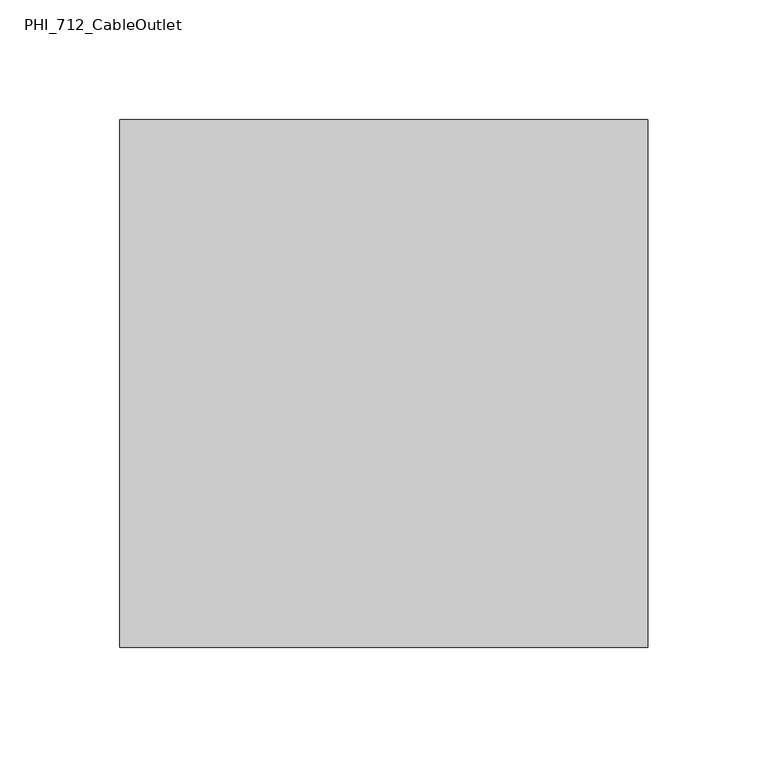
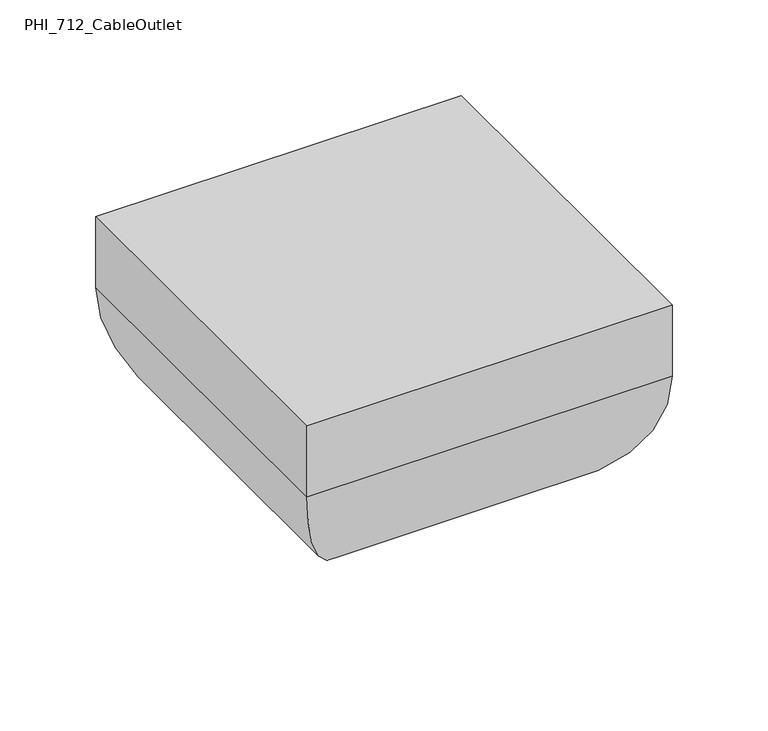
"""IFC4 building model written with IfcOpenShell, lengths in millimetres: proxy geometry, PHI_712_CableOutlet."""

from ifc_helpers import new_model, si_unit, frame, origin, place, context, project, spatial, ellipse_curve, source, transform, mapped, element, save
from ifc_brep_helpers import plane_surface, cylinder_surface, advanced_brep


def phi_712_cableoutlet_3c5d9d98(model_context):
    return source(origin(), model_context, "Body", "AdvancedBrep", [
        advanced_brep(
        [(110.0, 110.0000001, 2804.959375), (110.0, 110.0000001, 2849.959375), (110.0, -110.0000001, 2849.959375), (110.0, -110.0000001, 2804.959375), (50.7904592, 50.7904592, 2716.9591305), (50.7904592, -50.7904592, 2716.9591305), (-110.0, -110.0000001, 2849.959375), (-110.0, -110.0000001, 2804.959375), (-50.7904592, -50.7904592, 2716.9591305), (-110.0, 110.0000001, 2849.959375), (-110.0, 110.0000001, 2804.959375), (-50.7904592, 50.7904592, 2716.9591305)],
        [
            (0, 1),
            (1, 2),
            (2, 3),
            (3, 0),
            (4, 0, ellipse_curve(frame((15.0, 15.0000001, 2804.959375), z_axis=(0.7071067811865475, -0.7071067811865475, 0.0), x_axis=(0.7071067811865474, 0.7071067811865476, 0.0)), 134.3502884, 95.0)),
            (3, 5, ellipse_curve(frame((15.0, -15.0000001, 2804.959375), z_axis=(0.7071067811865475, 0.7071067811865475, 0.0), x_axis=(-0.7071067811865474, 0.7071067811865476, 0.0)), 134.3502884, 95.0)),
            (5, 4),
            (2, 6),
            (6, 7),
            (7, 3),
            (7, 8, ellipse_curve(frame((-15.0, -15.0000001, 2804.959375), z_axis=(0.7071067811865475, -0.7071067811865475, 0.0), x_axis=(0.7071067811865476, 0.7071067811865474, 0.0)), 134.3502884, 95.0)),
            (8, 5),
            (6, 9),
            (9, 10),
            (10, 7),
            (10, 11, ellipse_curve(frame((-15.0, 15.0000001, 2804.959375), z_axis=(-0.7071067811865475, -0.7071067811865475, 0.0), x_axis=(0.7071067811865474, -0.7071067811865476, 0.0)), 134.3502884, 95.0)),
            (11, 8),
            (1, 9),
            (0, 10),
            (4, 11),
        ],
        [
            plane_surface(frame((110.0, 110.0000001, 2849.959375), z_axis=(1.0, 0.0, 0.0), x_axis=(0.0, -1.0, 0.0))),
            cylinder_surface(frame((15.0, 110.0000001, 2804.959375), z_axis=(0.0, 1.0, 0.0), x_axis=(1.0, 0.0, 0.0)), 95.0),
            plane_surface(frame((110.0, -110.0000001, 2849.959375), z_axis=(0.0, -1.0, 0.0), x_axis=(-1.0, 0.0, 0.0))),
            cylinder_surface(frame((110.0, -15.0000001, 2804.959375), z_axis=(1.0, 0.0, 0.0), x_axis=(0.0, -1.0, 0.0)), 95.0),
            plane_surface(frame((-110.0, -110.0000001, 2849.959375), z_axis=(-1.0, 0.0, 0.0), x_axis=(0.0, 1.0, 0.0))),
            cylinder_surface(frame((-15.0, -110.0000001, 2804.959375), z_axis=(0.0, -1.0, 0.0), x_axis=(-1.0, 0.0, 0.0)), 95.0),
            plane_surface(frame((0.0, 1e-07, 2849.959375), z_axis=(0.0, 0.0, 1.0), x_axis=(1.0, 0.0, 0.0))),
            plane_surface(frame((-110.0, 110.0000001, 2849.959375), z_axis=(0.0, 1.0, 0.0), x_axis=(1.0, 0.0, 0.0))),
            cylinder_surface(frame((-110.0, 15.0000001, 2804.959375), z_axis=(-1.0, 0.0, 0.0), x_axis=(0.0, 1.0, 0.0)), 95.0),
            plane_surface(frame((-50.7904592, 50.7904592, 2716.9591305), z_axis=(0.0, 0.0, -1.0), x_axis=(1.0, 0.0, 0.0))),
        ],
        [
            (0, [[1, 2, 3, 4]]),
            (1, [[5, -4, 6, 7]]),
            (2, [[-3, 8, 9, 10]]),
            (3, [[-6, -10, 11, 12]]),
            (4, [[-9, 13, 14, 15]]),
            (5, [[-11, -15, 16, 17]]),
            (6, [[18, -13, -8, -2]]),
            (7, [[-14, -18, -1, 19]]),
            (8, [[-16, -19, -5, 20]]),
            (9, [[-12, -17, -20, -7]]),
        ],
    ),
    ])


if __name__ == "__main__":
    model = new_model("IFC4")
    model_context = context("Model", 3, world=origin())
    ifc_project = project(units=[si_unit("LENGTHUNIT", "METRE", prefix="MILLI")], contexts=[model_context])
    site = spatial("IfcSite", under=ifc_project)
    building = spatial("IfcBuilding", under=site)
    placement = place(None, origin())
    phi_712_cableoutlet_shape = phi_712_cableoutlet_3c5d9d98(model_context)
    element("IfcBuildingElementProxy", 1, Name="PHI_712_CableOutlet", ObjectType="PHI_712_CableOutlet", at=placement, inside=building, context=model_context, shape_type="MappedRepresentation", body=[
        mapped(phi_712_cableoutlet_shape, transform((0.0, 0.0, 0.0), x_axis=(1.0, 0.0, 0.0), y_axis=(0.0, 1.0, 0.0), z_axis=(0.0, 0.0, 1.0))),
    ])
    save(model, "model.ifc")
